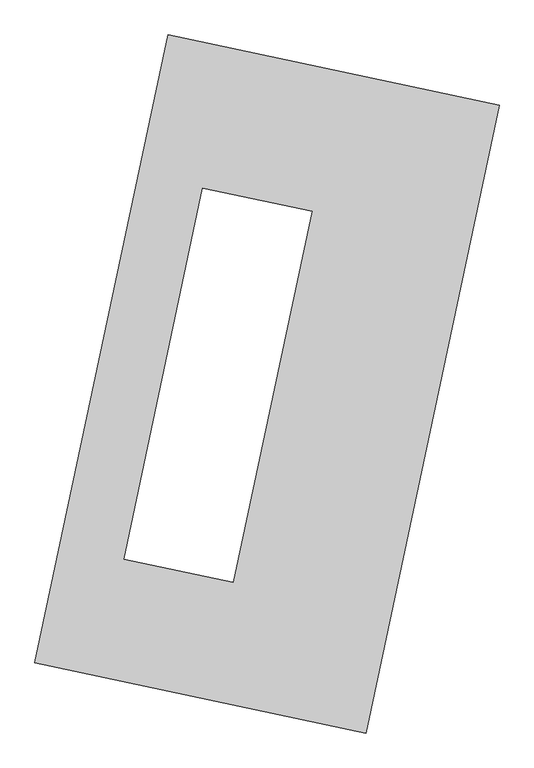
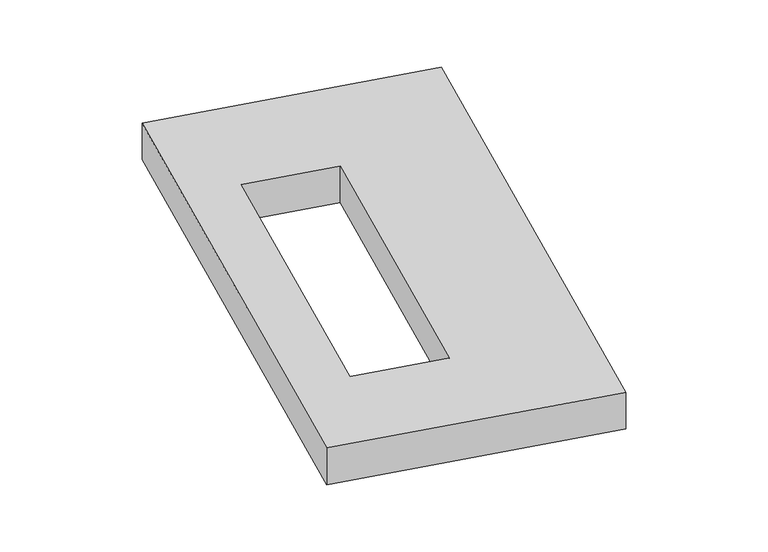
"""IFC4 building model written with IfcOpenShell, lengths in millimetres: proxy geometry."""

from ifc_helpers import new_model, si_unit, origin, origin_with_axes, place, context, project, spatial, polyline, outline, extrude, source, transform, mapped, element, save


def generic_models_c372297a(model_context):
    return source(origin(), model_context, "Body", "SweptSolid", [
        extrude(outline(polyline([(-617.3692021, 2175.5580432), (1447.7508745, 1737.3010494), (617.3692021, -2175.5580432), (-1447.7508745, -1737.3010494), (-617.3692021, 2175.5580432)]), holes=[polyline([(280.4002829, 1075.6244319), (-401.7857453, 1220.3970296), (-892.3786096, -1091.3360131), (-210.1925815, -1236.1086107), (280.4002829, 1075.6244319)])]), origin_with_axes(), (0.0, 0.0, 1.0), 300.0),
    ])


if __name__ == "__main__":
    model = new_model("IFC4")
    model_context = context("Model", 3, world=origin())
    ifc_project = project(units=[si_unit("LENGTHUNIT", "METRE", prefix="MILLI")], contexts=[model_context])
    site = spatial("IfcSite", under=ifc_project)
    building = spatial("IfcBuilding", under=site)
    placement = place(None, origin())
    generic_models_shape = generic_models_c372297a(model_context)
    element("IfcBuildingElementProxy", 1, Name="Generic Models", at=placement, inside=building, context=model_context, shape_type="MappedRepresentation", body=[
        mapped(generic_models_shape, transform((0.0, 0.0, 0.0), x_axis=(1.0, 0.0, 0.0), y_axis=(0.0, 1.0, 0.0), z_axis=(0.0, 0.0, 1.0))),
    ])
    save(model, "model.ifc")
